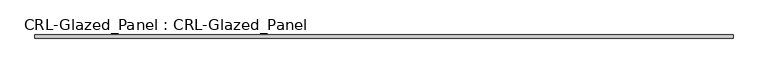
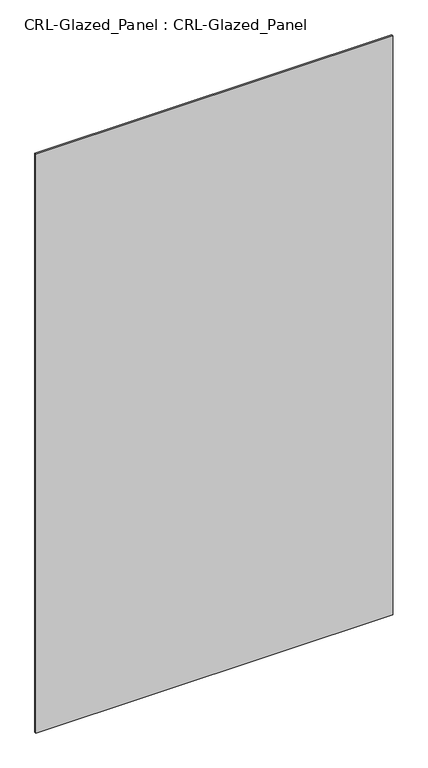
"""IFC4 building model written with IfcOpenShell, lengths in millimetres: plate geometry, CRL-Glazed_Panel : CRL-Glazed_Panel."""

from ifc_helpers import new_model, si_unit, origin, origin_with_axes, place, context, project, spatial, polyline, outline, extrude, source, transform, mapped, element, save


def crl_glazed_panel_crl_glazed_panel_55674afd(model_context):
    return source(origin(), model_context, "Body", "SweptSolid", [
        extrude(outline(polyline([(624.9458262, 3.1749999), (624.9458262, -3.1749999), (-624.9458262, -3.1749999), (-624.9458262, 3.1749999), (624.9458262, 3.1749999)])), origin_with_axes(), (0.0, 0.0, 1.0), 2143.1250696),
    ])


if __name__ == "__main__":
    model = new_model("IFC4")
    model_context = context("Model", 3, world=origin())
    ifc_project = project(units=[si_unit("LENGTHUNIT", "METRE", prefix="MILLI")], contexts=[model_context])
    site = spatial("IfcSite", under=ifc_project)
    building = spatial("IfcBuilding", under=site)
    placement = place(None, origin())
    crl_glazed_panel_crl_glazed_panel_shape = crl_glazed_panel_crl_glazed_panel_55674afd(model_context)
    element("IfcPlate", 1, ObjectType="CRL-Glazed_Panel : CRL-Glazed_Panel", at=placement, inside=building, context=model_context, shape_type="MappedRepresentation", body=[
        mapped(crl_glazed_panel_crl_glazed_panel_shape, transform((0.0, 0.0, 0.0), x_axis=(1.0, 0.0, 0.0), y_axis=(0.0, 1.0, 0.0), z_axis=(0.0, 0.0, 1.0))),
    ])
    save(model, "model.ifc")
